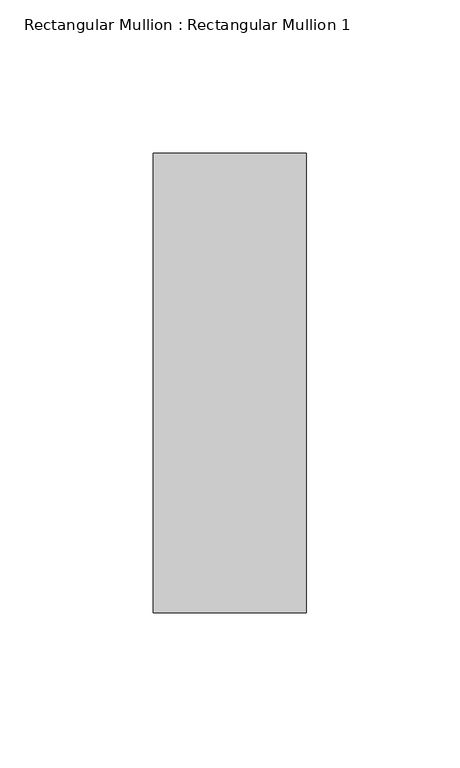
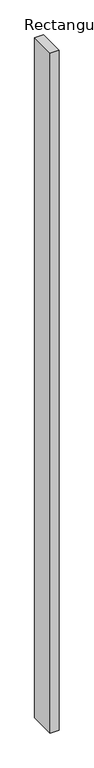
"""IFC4 building model written with IfcOpenShell, lengths in millimetres: member geometry, Rectangular Mullion : Rectangular Mullion 1."""

from ifc_helpers import new_model, si_unit, frame, origin, place, context, project, spatial, polyline, outline, extrude, source, transform, mapped, element, save


def rectangular_mullion_rectangular_mullion_1_1b9437d6(model_context):
    return source(origin(), model_context, "Body", "SweptSolid", [
        extrude(outline(polyline([(25.0, 75.0), (25.0, -75.0), (-25.0, -75.0), (-25.0, 75.0), (25.0, 75.0)])), frame((0.0, 0.0, -4000.0), z_axis=(0.0, 0.0, 1.0), x_axis=(1.0, 0.0, 0.0)), (0.0, 0.0, 1.0), 4000.0),
    ])


if __name__ == "__main__":
    model = new_model("IFC4")
    model_context = context("Model", 3, world=origin())
    ifc_project = project(units=[si_unit("LENGTHUNIT", "METRE", prefix="MILLI")], contexts=[model_context])
    site = spatial("IfcSite", under=ifc_project)
    building = spatial("IfcBuilding", under=site)
    placement = place(None, origin())
    rectangular_mullion_rectangular_mullion_1_shape = rectangular_mullion_rectangular_mullion_1_1b9437d6(model_context)
    element("IfcMember", 1, ObjectType="Rectangular Mullion : Rectangular Mullion 1", at=placement, inside=building, context=model_context, shape_type="MappedRepresentation", body=[
        mapped(rectangular_mullion_rectangular_mullion_1_shape, transform((0.0, 0.0, 0.0), x_axis=(1.0, 0.0, 0.0), y_axis=(0.0, 1.0, 0.0), z_axis=(0.0, 0.0, 1.0))),
    ])
    save(model, "model.ifc")
